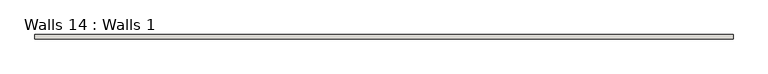
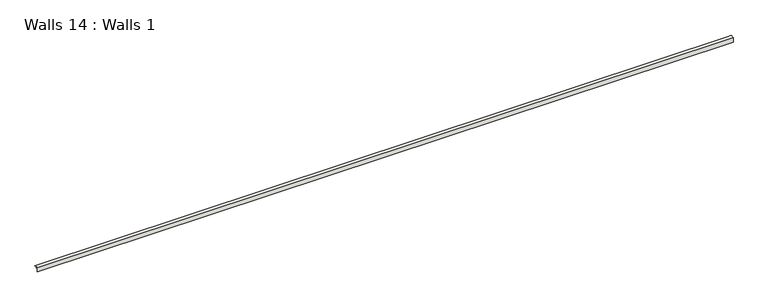
"""IFC4 building model written with IfcOpenShell, lengths in millimetres: wall geometry, Walls 14 : Walls 1."""

from ifc_helpers import new_model, si_unit, point, frame, frame_2d, origin, place, context, project, spatial, polyline, circle_curve, trimmed, segment, composite_curve, outline, extrude, source, transform, mapped, element, save


def walls_14_walls_1_1bddf7ee(model_context):
    return source(origin(), model_context, "Body", "SweptSolid", [
        extrude(outline(composite_curve([segment(polyline([(1442.4408797, 3.1732159), (1442.4408797, 0.0), (1436.0908797, 0.0), (1436.0908797, -9.8564932), (1434.5479992, -9.8564932), (1434.5479992, 4.8468939)]), True, "CONTINUOUS"), segment(trimmed(circle_curve(frame_2d((1440.518426, -5.7849882)), 12.1935603), [point((1434.5479992, 4.8468939))], [point((1448.7908797, 3.1732159))], False, "CARTESIAN"), True, "CONTINUOUS"), segment(polyline([(1448.7908797, 3.1732159), (1442.4408797, 3.1732159)]), True, "CONTINUOUS")], self_intersect=False)), frame((1494.8594388, 0.0, 0.0), z_axis=(1.0, 0.0, 0.0), x_axis=(0.0, 1.0, 0.0)), (0.0, 0.0, 1.0), 2286.0),
    ])


if __name__ == "__main__":
    model = new_model("IFC4")
    model_context = context("Model", 3, world=origin())
    ifc_project = project(units=[si_unit("LENGTHUNIT", "METRE", prefix="MILLI")], contexts=[model_context])
    site = spatial("IfcSite", under=ifc_project)
    building = spatial("IfcBuilding", under=site)
    placement = place(None, origin())
    walls_14_walls_1_shape = walls_14_walls_1_1bddf7ee(model_context)
    element("IfcWall", 1, ObjectType="Walls 14 : Walls 1", at=placement, inside=building, context=model_context, shape_type="MappedRepresentation", body=[
        mapped(walls_14_walls_1_shape, transform((0.0, 0.0, 0.0), x_axis=(1.0, 0.0, 0.0), y_axis=(0.0, 1.0, 0.0), z_axis=(0.0, 0.0, 1.0))),
    ])
    save(model, "model.ifc")
